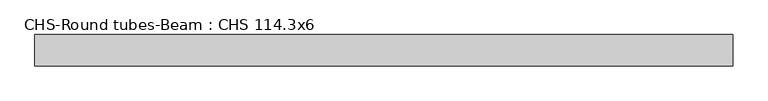
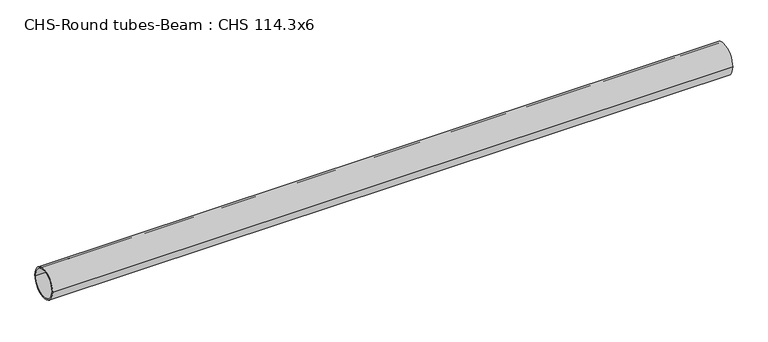
"""IFC4 building model written with IfcOpenShell, lengths in millimetres: beam geometry, CHS-Round tubes-Beam : CHS 114.3x6."""

import ifcopenshell
import ifcopenshell.guid

model = None  # the IFC model being written
_history = None  # IfcOwnerHistory: only IFC2X3 demands one
_inside = {}  # id of a spatial element -> (the spatial element, [elements in it])
_under = {}  # id of a project, library or spatial element -> (it, [spatial elements below it])
_declared = {}  # id of a project -> (the project, [libraries it declares])
_typed = {}  # id of a type object -> (the type object, [elements of that type])
_made_of = {}  # id of a material, layer set ... -> (it, [elements and type objects made of it])


def new_model(schema):
    """Start an empty IFC model of exactly this schema.

    Asked for "IFC4X3", IfcOpenShell would pick the latest addendum, in which some entities
    have other attributes; the version numbers below select the first issue.
    IFC2X3 requires an IfcOwnerHistory on every rooted entity: one is made here for all.
    """
    global model, _history
    if schema == "IFC4X3":
        model = ifcopenshell.file(schema_version=(4, 3, 0, 0))
    else:
        model = ifcopenshell.file(schema=schema)
    _inside.clear()
    _under.clear()
    _declared.clear()
    _typed.clear()
    _made_of.clear()
    _history = None
    if model.schema == "IFC2X3":
        org = make("IfcOrganization", Name="unknown")
        user = make(
            "IfcPersonAndOrganization",
            ThePerson=make("IfcPerson", FamilyName="unknown"),
            TheOrganization=org,
        )
        app = make(
            "IfcApplication",
            ApplicationDeveloper=org,
            Version="unknown",
            ApplicationFullName="unknown",
            ApplicationIdentifier="unknown",
        )
        _history = make(
            "IfcOwnerHistory",
            OwningUser=user,
            OwningApplication=app,
            ChangeAction="ADDED",
            CreationDate=0,
        )
    return model


def make(cls, **values):
    """One entity of the class cls with the attributes given. An attribute that is None is left unset."""
    return model.create_entity(
        cls, **{name: value for name, value in values.items() if value is not None}
    )


def rooted(cls, **values):
    """An entity with a GlobalId (a new one), such as an element, a storey or a relation."""
    return make(cls, GlobalId=ifcopenshell.guid.new(), OwnerHistory=_history, **values)


def si_unit(unit_type, name, prefix=None):
    """IfcSIUnit, for example si_unit("LENGTHUNIT", "METRE", prefix="MILLI")."""
    return make("IfcSIUnit", UnitType=unit_type, Prefix=prefix, Name=name)


def assignment(units):
    """IfcUnitAssignment: the units of a project."""
    return None if units is None else make("IfcUnitAssignment", Units=units)


def point(xyz):
    """IfcCartesianPoint."""
    return None if xyz is None else make("IfcCartesianPoint", Coordinates=xyz)


def direction(xyz):
    """IfcDirection."""
    return None if xyz is None else make("IfcDirection", DirectionRatios=xyz)


def frame(location, z_axis=None, x_axis=None):
    """IfcAxis2Placement3D, a coordinate frame: its origin and axes. An axis left out is left unset."""
    return make(
        "IfcAxis2Placement3D",
        Location=point(location),
        Axis=direction(z_axis),
        RefDirection=direction(x_axis),
    )


def frame_2d(location, x_axis=None):
    """IfcAxis2Placement2D, a coordinate frame in the plane: its origin and x axis."""
    return make(
        "IfcAxis2Placement2D", Location=point(location), RefDirection=direction(x_axis)
    )


def origin():
    """The frame at (0, 0, 0) with its axes left unset."""
    return frame((0.0, 0.0, 0.0))


def origin_2d():
    """The frame at (0, 0) in the plane with its x axis left unset."""
    return frame_2d((0.0, 0.0))


def place(relative_to, where):
    """IfcLocalPlacement: puts the frame where relative to a parent placement (None: the world)."""
    return make(
        "IfcLocalPlacement", PlacementRelTo=relative_to, RelativePlacement=where
    )


def context(
    kind, dimensions, precision=None, world=None, true_north=None, identifier=None
):
    """IfcGeometricRepresentationContext, for example the 3D "Model" context."""
    return make(
        "IfcGeometricRepresentationContext",
        ContextIdentifier=identifier,
        ContextType=kind,
        CoordinateSpaceDimension=dimensions,
        Precision=precision,
        WorldCoordinateSystem=world,
        TrueNorth=true_north,
    )


def project(units=None, contexts=None):
    """IfcProject with its units and contexts."""
    return rooted(
        "IfcProject",
        Name="project",
        RepresentationContexts=contexts,
        UnitsInContext=assignment(units),
    )


def spatial(cls, under=None, at=None, **own):
    """A site, building, storey or space (cls), placed at a placement, below another one or the project."""
    s = rooted(cls, ObjectPlacement=at, **own)
    if under is not None:
        _under.setdefault(under.id(), (under, []))[1].append(s)
    return s


def circle_curve(where, radius):
    """IfcCircle in the frame where."""
    return make("IfcCircle", Position=where, Radius=radius)


def trimmed(basis, trim1, trim2, sense, master):
    """IfcTrimmedCurve: the piece of a basis curve between two trims."""
    return make(
        "IfcTrimmedCurve",
        BasisCurve=basis,
        Trim1=trim1,
        Trim2=trim2,
        SenseAgreement=sense,
        MasterRepresentation=master,
    )


def segment(curve, same_sense, transition):
    """IfcCompositeCurveSegment."""
    return make(
        "IfcCompositeCurveSegment",
        Transition=transition,
        SameSense=same_sense,
        ParentCurve=curve,
    )


def composite_curve(segments, self_intersect=None):
    """IfcCompositeCurve: segments joined end to end."""
    return make("IfcCompositeCurve", Segments=segments, SelfIntersect=self_intersect)


def outline(outer, holes=None, kind="AREA"):
    """IfcArbitraryClosedProfileDef: a profile drawn as a closed curve; with holes, ...WithVoids."""
    if holes is None:
        return make("IfcArbitraryClosedProfileDef", ProfileType=kind, OuterCurve=outer)
    return make(
        "IfcArbitraryProfileDefWithVoids",
        ProfileType=kind,
        OuterCurve=outer,
        InnerCurves=holes,
    )


def extrude(swept, where, along, depth):
    """IfcExtrudedAreaSolid: the profile swept, set in the frame where, extruded along a direction by depth."""
    return make(
        "IfcExtrudedAreaSolid",
        SweptArea=swept,
        Position=where,
        ExtrudedDirection=direction(along),
        Depth=depth,
    )


def shape(context_of_items, identifier, shape_type, items):
    """IfcShapeRepresentation: the items that make up one representation, for example the "Body"."""
    return make(
        "IfcShapeRepresentation",
        ContextOfItems=context_of_items,
        RepresentationIdentifier=identifier,
        RepresentationType=shape_type,
        Items=items,
    )


def source(mapping_origin, context_of_items, identifier, shape_type, items):
    """IfcRepresentationMap: a shape defined once, which mapped items show again and again."""
    return make(
        "IfcRepresentationMap",
        MappingOrigin=mapping_origin,
        MappedRepresentation=shape(context_of_items, identifier, shape_type, items),
    )


def transform(
    local_origin,
    x_axis=None,
    y_axis=None,
    z_axis=None,
    scale=None,
    scale2=None,
    scale3=None,
    uniform=True,
):
    """IfcCartesianTransformationOperator3D, or its non-uniform kind. x_axis, y_axis, z_axis: its Axis1, 2, 3."""
    if uniform:
        return make(
            "IfcCartesianTransformationOperator3D",
            Axis1=direction(x_axis),
            Axis2=direction(y_axis),
            LocalOrigin=point(local_origin),
            Scale=scale,
            Axis3=direction(z_axis),
        )
    return make(
        "IfcCartesianTransformationOperator3DnonUniform",
        Axis1=direction(x_axis),
        Axis2=direction(y_axis),
        LocalOrigin=point(local_origin),
        Scale=scale,
        Axis3=direction(z_axis),
        Scale2=scale2,
        Scale3=scale3,
    )


def mapped(mapping_source, mapping_target):
    """IfcMappedItem: shows the shape of a source again, moved by a transform."""
    return make(
        "IfcMappedItem", MappingSource=mapping_source, MappingTarget=mapping_target
    )


def made_of(thing, what):
    """Note that an element or type object is made of a material, layer set ...; save() writes the relation."""
    if what is not None:
        _made_of.setdefault(what.id(), (what, []))[1].append(thing)
    return thing


def element(
    cls,
    number,
    at=None,
    inside=None,
    cuts=None,
    type_object=None,
    material=None,
    context=None,
    identifier="Body",
    shape_type=None,
    held_by="IfcProductDefinitionShape",
    body=None,
    shapes=None,
    **own,
):
    """One element of the class cls, such as IfcWall. Its Tag is "e" and its number.

    at: its placement. inside: the storey or other place that contains it. cuts: it is an
    opening in that element (IfcRelVoidsElement). A single representation is given by context,
    identifier, shape_type and body (its items); several are given by shapes. held_by: the class
    of the entity that holds the representations. save() writes the other relations.
    """
    e = rooted(cls, Tag="e%d" % number, ObjectPlacement=at, **own)
    if body is not None:
        shapes = [shape(context, identifier, shape_type, body)]
    if shapes is not None:
        e.Representation = make(held_by, Representations=shapes)
    if inside is not None:
        _inside.setdefault(inside.id(), (inside, []))[1].append(e)
    if cuts is not None:
        rooted(
            "IfcRelVoidsElement", RelatingBuildingElement=cuts, RelatedOpeningElement=e
        )
    if type_object is not None:
        _typed.setdefault(type_object.id(), (type_object, []))[1].append(e)
    return made_of(e, material)


def aggregate(whole, parts):
    """IfcRelAggregates: a whole, such as a stair, and the parts it consists of."""
    return rooted("IfcRelAggregates", RelatingObject=whole, RelatedObjects=parts)


def save(model, path):
    """Write the relations noted so far, then the file.

    IfcRelAggregates (storeys below a building ...), IfcRelContainedInSpatialStructure (elements
    in a storey), IfcRelDefinesByType, IfcRelAssociatesMaterial and IfcRelDeclares: one each for
    every whole, place, type object, material and project.
    """
    for whole, parts in _under.values():
        aggregate(whole, parts)
    for where, things in _inside.values():
        rooted(
            "IfcRelContainedInSpatialStructure",
            RelatedElements=things,
            RelatingStructure=where,
        )
    for kind, things in _typed.values():
        rooted("IfcRelDefinesByType", RelatedObjects=things, RelatingType=kind)
    for what, things in _made_of.values():
        rooted("IfcRelAssociatesMaterial", RelatedObjects=things, RelatingMaterial=what)
    for by, libraries in _declared.values():
        rooted("IfcRelDeclares", RelatingContext=by, RelatedDefinitions=libraries)
    model.write(path)


def chs_round_tubes_beam_chs_114_3x6_301e9202(model_context):
    return source(origin(), model_context, "Body", "SweptSolid", [
        extrude(outline(composite_curve([segment(trimmed(circle_curve(origin_2d(), 57.15), [point((57.15, 0.0))], [point((-57.15, 0.0))], False, "CARTESIAN"), True, "CONTINUOUS"), segment(trimmed(circle_curve(origin_2d(), 57.15), [point((-57.15, 0.0))], [point((57.15, 0.0))], False, "CARTESIAN"), True, "CONTINUOUS")], self_intersect=False), holes=[composite_curve([segment(trimmed(circle_curve(origin_2d(), 51.15), [point((51.15, 0.0))], [point((-51.15, 0.0))], True, "CARTESIAN"), True, "CONTINUOUS"), segment(trimmed(circle_curve(origin_2d(), 51.15), [point((-51.15, 0.0))], [point((51.15, 0.0))], True, "CARTESIAN"), True, "CONTINUOUS")], self_intersect=False)]), frame((-1262.4466841, 0.0, 0.0), z_axis=(1.0, 0.0, 0.0), x_axis=(0.0, 1.0, 0.0)), (0.0, 0.0, 1.0), 2547.2951115),
    ])


if __name__ == "__main__":
    model = new_model("IFC4")
    model_context = context("Model", 3, world=origin())
    ifc_project = project(units=[si_unit("LENGTHUNIT", "METRE", prefix="MILLI")], contexts=[model_context])
    site = spatial("IfcSite", under=ifc_project)
    building = spatial("IfcBuilding", under=site)
    placement = place(None, origin())
    chs_round_tubes_beam_chs_114_3x6_shape = chs_round_tubes_beam_chs_114_3x6_301e9202(model_context)
    element("IfcBeam", 1, ObjectType="CHS-Round tubes-Beam : CHS 114.3x6", at=placement, inside=building, context=model_context, shape_type="MappedRepresentation", body=[
        mapped(chs_round_tubes_beam_chs_114_3x6_shape, transform((0.0, 0.0, 0.0), x_axis=(1.0, 0.0, 0.0), y_axis=(0.0, 1.0, 0.0), z_axis=(0.0, 0.0, 1.0))),
    ])
    save(model, "model.ifc")
